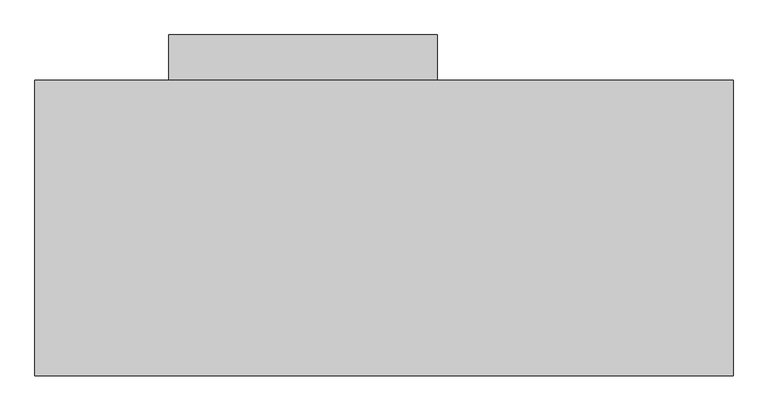
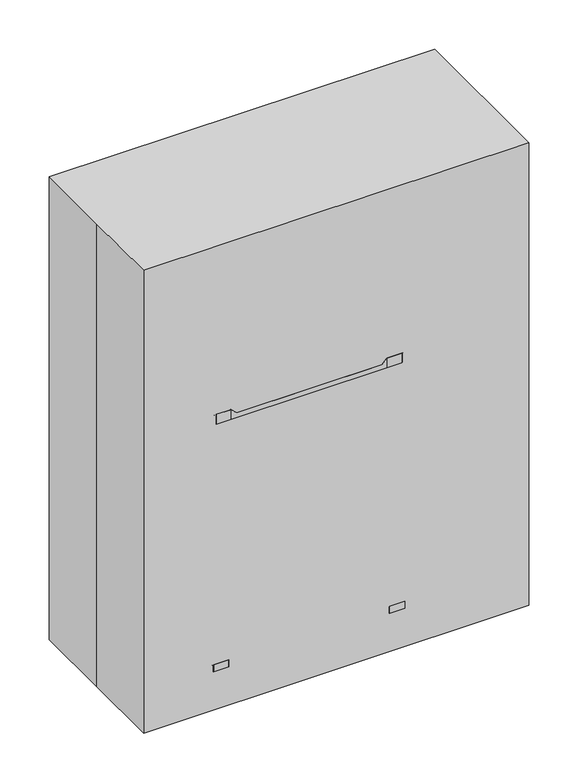
"""IFC4 building model written with IfcOpenShell, lengths in millimetres: proxy geometry."""

from ifc_helpers import new_model, si_unit, point, frame, frame_2d, origin, origin_with_axes, place, context, project, spatial, polyline, circle_curve, trimmed, segment, composite_curve, outline, extrude, faceted_brep, source, transform, mapped, element, save
from ifc_brep_helpers import plane_surface, cylinder_surface, revolved_surface, spline_surface, advanced_brep


def specialty_equipment_8fa30587(model_context):
    return source(origin(), model_context, "Body", "SolidModel", [
        advanced_brep(
        [(-617.6487952, 2.9144028, 860.7975437), (-414.4487952, 2.9144028, 860.7975437), (-604.9487952, 2.9144028, 860.7975437), (-427.1487952, 2.9144028, 860.7975437), (-617.6487952, 2.9144028, 234.3936643), (-414.4487952, 2.9144028, 234.3936643), (-604.9487952, 2.9144028, 234.3936643), (-427.1487952, 2.9144028, 234.3936643), (-617.6487952, 2.9144028, 845.5698121), (-424.9008141, -41.9699547, 845.5698121), (-424.9008141, -41.9699547, 567.7573121), (-617.6487952, 2.9144028, 567.7573121), (-609.0105353, -38.0816322, 262.9573121), (-609.0105353, -38.0816322, 548.7073121), (-422.9407954, -37.7483612, 548.7073121), (-422.9407954, -37.7483612, 262.9573121), (-424.9008141, 47.7987602, 567.7573121), (-424.9008141, 47.7987602, 845.5698121), (-609.0105353, 43.9104377, 548.7073121), (-609.0105353, 43.9104377, 262.9573121), (-422.9407954, 43.5771667, 262.9573121), (-422.9407954, 43.5771667, 548.7073121), (-604.9487952, 2.9144028, 845.5698121), (-427.1487952, 2.9144028, 845.5698121), (-427.1487952, 2.9144028, 262.9573121), (-604.9487952, 2.9144028, 262.9573121), (-427.1487952, 2.9144028, 567.7573121), (-604.9487952, 2.9144028, 567.7573121), (-604.9487952, 2.9144028, 548.7073121), (-427.1487952, 2.9144028, 548.7073121)],
        [
            (0, 1, circle_curve(frame((-516.0487952, 2.9144028, 860.7975437), z_axis=(0.0, 0.0, 1.0), x_axis=(1.0, 1.2023715356688048e-12, 0.0)), 101.6)),
            (1, 0, circle_curve(frame((-516.0487952, 2.9144028, 860.7975437), z_axis=(0.0, 0.0, 1.0), x_axis=(1.0, 1.2023715356688048e-12, 0.0)), 101.6)),
            (2, 3, circle_curve(frame((-516.0487952, 2.9144028, 860.7975437), z_axis=(0.0, 0.0, -1.0), x_axis=(1.0, 1.2023715356688048e-12, 0.0)), 88.9)),
            (3, 2, circle_curve(frame((-516.0487952, 2.9144028, 860.7975437), z_axis=(0.0, 0.0, -1.0), x_axis=(1.0, 1.2023715356688048e-12, 0.0)), 88.9)),
            (4, 5, circle_curve(frame((-516.0487952, 2.9144028, 234.3936643), z_axis=(0.0, 0.0, -1.0), x_axis=(1.0, 1.2023715356688048e-12, 0.0)), 101.6)),
            (5, 4, circle_curve(frame((-516.0487952, 2.9144028, 234.3936643), z_axis=(0.0, 0.0, -1.0), x_axis=(1.0, 1.2023715356688048e-12, 0.0)), 101.6)),
            (6, 7, circle_curve(frame((-516.0487952, 2.9144028, 234.3936643), z_axis=(0.0, 0.0, 1.0), x_axis=(1.0, 1.2023715356688048e-12, 0.0)), 88.9)),
            (7, 6, circle_curve(frame((-516.0487952, 2.9144028, 234.3936643), z_axis=(0.0, 0.0, 1.0), x_axis=(1.0, 1.2023715356688048e-12, 0.0)), 88.9)),
            (0, 8),
            (8, 9, circle_curve(frame((-516.0487952, 2.9144028, 845.5698121), z_axis=(0.0, 0.0, 1.0), x_axis=(1.0, 1.2023715356688048e-12, 0.0)), 101.6)),
            (9, 10),
            (10, 11, circle_curve(frame((-516.0487952, 2.9144028, 567.7573121), z_axis=(0.0, 0.0, -1.0), x_axis=(1.0, 1.2023715356688048e-12, 0.0)), 101.6)),
            (11, 4),
            (5, 1),
            (12, 13),
            (13, 14, circle_curve(frame((-516.0487952, 2.9144028, 548.7073121), z_axis=(0.0, 0.0, 1.0), x_axis=(1.0, 1.2023715356688048e-12, 0.0)), 101.6)),
            (14, 15),
            (15, 12, circle_curve(frame((-516.0487952, 2.9144028, 262.9573121), z_axis=(0.0, 0.0, -1.0), x_axis=(1.0, 1.2023715356688048e-12, 0.0)), 101.6)),
            (11, 16, circle_curve(frame((-516.0487952, 2.9144028, 567.7573121), z_axis=(0.0, 0.0, -1.0), x_axis=(1.0, 1.2023715356688048e-12, 0.0)), 101.6)),
            (16, 17),
            (17, 8, circle_curve(frame((-516.0487952, 2.9144028, 845.5698121), z_axis=(0.0, 0.0, 1.0), x_axis=(1.0, 1.2023715356688048e-12, 0.0)), 101.6)),
            (18, 19),
            (19, 20, circle_curve(frame((-516.0487952, 2.9144028, 262.9573121), z_axis=(0.0, 0.0, -1.0), x_axis=(1.0, 1.2023715356688048e-12, 0.0)), 101.6)),
            (20, 21),
            (21, 18, circle_curve(frame((-516.0487952, 2.9144028, 548.7073121), z_axis=(0.0, 0.0, 1.0), x_axis=(1.0, 1.2023715356688048e-12, 0.0)), 101.6)),
            (2, 22),
            (22, 23, circle_curve(frame((-516.0487952, 2.9144028, 845.5698121), z_axis=(0.0, 0.0, -1.0), x_axis=(1.0, 1.2023715356688048e-12, 0.0)), 88.9)),
            (23, 3),
            (7, 24),
            (24, 25, circle_curve(frame((-516.0487952, 2.9144028, 262.9573121), z_axis=(0.0, 0.0, 1.0), x_axis=(1.0, 1.2023715356688048e-12, 0.0)), 88.9)),
            (25, 6),
            (26, 27, circle_curve(frame((-516.0487952, 2.9144028, 567.7573121), z_axis=(0.0, 0.0, 1.0), x_axis=(1.0, 1.2023715356688048e-12, 0.0)), 88.9)),
            (27, 28),
            (28, 29, circle_curve(frame((-516.0487952, 2.9144028, 548.7073121), z_axis=(0.0, 0.0, -1.0), x_axis=(1.0, 1.2023715356688048e-12, 0.0)), 88.9)),
            (29, 26),
            (23, 22, circle_curve(frame((-516.0487952, 2.9144028, 845.5698121), z_axis=(0.0, 0.0, -1.0), x_axis=(1.0, 1.2023715356688048e-12, 0.0)), 88.9)),
            (25, 24, circle_curve(frame((-516.0487952, 2.9144028, 262.9573121), z_axis=(0.0, 0.0, 1.0), x_axis=(1.0, 1.2023715356688048e-12, 0.0)), 88.9)),
            (27, 26, circle_curve(frame((-516.0487952, 2.9144028, 567.7573121), z_axis=(0.0, 0.0, 1.0), x_axis=(1.0, 1.2023715356688048e-12, 0.0)), 88.9)),
            (29, 28, circle_curve(frame((-516.0487952, 2.9144028, 548.7073121), z_axis=(0.0, 0.0, -1.0), x_axis=(1.0, 1.2023715356688048e-12, 0.0)), 88.9)),
            (10, 16),
            (9, 17),
            (18, 13),
            (12, 19),
            (15, 20),
            (14, 21),
        ],
        [
            plane_surface(frame((-414.4487952, 2.9144028, 860.7975437), z_axis=(0.0, 0.0, 1.0), x_axis=(-1.2023715356688048e-12, 1.0, 0.0))),
            plane_surface(frame((-414.4487952, 2.9144028, 234.3936643), z_axis=(0.0, 0.0, -1.0), x_axis=(1.2023715356688048e-12, -1.0, 0.0))),
            cylinder_surface(frame((-516.0487952, 2.9144028, 234.3936643), z_axis=(0.0, 0.0, 1.0), x_axis=(1.0, 1.2023715356688048e-12, 0.0)), 101.6),
            revolved_surface(polyline([(-427.1487952, 2.914402800106891, 845.5698121), (-427.1487952, 2.914402800106891, 860.7975437)]), (-516.0487952, 2.9144028, 163.5125), (0.0, 0.0, -1.0)),
            revolved_surface(polyline([(-427.1487952, 2.914402800106891, 234.3936643), (-427.1487952, 2.914402800106891, 262.9573121)]), (-516.0487952, 2.9144028, 163.5125), (0.0, 0.0, -1.0)),
            revolved_surface(polyline([(-427.1487952, 2.914402800106891, 548.7073121), (-427.1487952, 2.914402800106891, 567.7573121)]), (-516.0487952, 2.9144028, 163.5125), (0.0, 0.0, -1.0)),
            plane_surface(frame((-628.0605353, -110.1467187, 567.7573121), z_axis=(0.0, 0.0, 1.0), x_axis=(0.0, 1.0, 0.0))),
            plane_surface(frame((-424.9008141, -110.1467187, 567.7573121), z_axis=(-1.0, 0.0, 0.0), x_axis=(0.0, 1.0, 0.0))),
            plane_surface(frame((-424.9008141, -110.1467187, 845.5698121), z_axis=(0.0, 0.0, -1.0), x_axis=(0.0, 1.0, 0.0))),
            plane_surface(frame((-609.0105353, -110.1467187, 548.7073121), z_axis=(1.0, 0.0, 0.0), x_axis=(0.0, 1.0, 0.0))),
            plane_surface(frame((-609.0105353, -110.1467187, 262.9573121), z_axis=(0.0, 0.0, 1.0), x_axis=(0.0, 1.0, 0.0))),
            plane_surface(frame((-422.9407954, -110.1467187, 262.9573121), z_axis=(-1.0, 0.0, 0.0), x_axis=(0.0, 1.0, 0.0))),
            plane_surface(frame((-422.9407954, -110.1467187, 548.7073121), z_axis=(0.0, 0.0, -1.0), x_axis=(0.0, 1.0, 0.0))),
        ],
        [
            (0, [[1, 2], [3, 4]]),
            (1, [[5, 6], [7, 8]]),
            (2, [[-1, 9, 10, 11, 12, 13, -6, 14], [15, 16, 17, 18]]),
            (2, [[-2, -14, -5, -13, 19, 20, 21, -9], [22, 23, 24, 25]]),
            (3, [[-3, 26, 27, 28]]),
            (4, [[-8, 29, 30, 31]]),
            (5, [[32, 33, 34, 35]]),
            (3, [[-4, -28, 36, -26]]),
            (4, [[-7, -31, 37, -29]]),
            (5, [[38, -35, 39, -33]]),
            (6, [[40, -19, -12], [-32, -38]]),
            (7, [[-40, -11, 41, -20]]),
            (8, [[-41, -10, -21], [-27, -36]]),
            (9, [[42, -15, 43, -22]]),
            (10, [[-43, -18, 44, -23], [-30, -37]]),
            (11, [[-44, -17, 45, -24]]),
            (12, [[-42, -25, -45, -16], [-34, -39]]),
        ],
    ),
        faceted_brep([(224.7592046, -250.6571972, 163.5125), (224.7592046, -250.6571972, 1031.748), (173.9592046, -250.6571972, 1031.748), (-359.4407954, -250.6571972, 1031.748), (-410.2407954, -250.6571972, 1031.748), (-410.2407954, -250.6571972, 163.5125), (-359.4407954, -250.6571972, 221.742), (-359.4407954, -250.6571972, 996.442), (173.9592046, -250.6571972, 996.442), (173.9592046, -250.6571972, 221.742), (224.7592046, 250.9928028, 163.5125), (-410.2407954, 250.9928028, 163.5125), (-410.2407954, 250.9928028, 1031.748), (-359.4407954, 250.9928028, 1031.748), (173.9592046, 250.9928028, 1031.748), (224.7592046, 250.9928028, 1031.748), (-359.4407954, 238.7231785, 996.442), (-359.4407954, 238.7231785, 221.742), (173.9592046, 238.7231785, 221.742), (173.9592046, 238.7231785, 996.442)], [[[0, 1, 2, 3, 4, 5], [6, 7, 8, 9]], [[10, 11, 12, 13, 14, 15]], [[1, 0, 10, 15]], [[2, 1, 15, 14]], [[3, 2, 14, 13]], [[4, 3, 13, 12]], [[5, 4, 12, 11]], [[0, 5, 11, 10]], [[16, 17, 18, 19]], [[17, 16, 7, 6]], [[18, 17, 6, 9]], [[19, 18, 9, 8]], [[16, 19, 8, 7]]]),
        extrude(outline(polyline([(154.9092046, 154.1553028), (154.9092046, -204.6196972), (-340.3907954, -204.6196972), (-340.3907954, 154.1553028), (154.9092046, 154.1553028)])), frame((0.0, 0.0, 912.2918), z_axis=(0.0, 0.0, 1.0), x_axis=(1.0, 0.0, 0.0)), (0.0, 0.0, 1.0), 76.4986177),
        extrude(outline(polyline([(154.9092046, 154.1553028), (154.9092046, -204.6196972), (-340.3907954, -204.6196972), (-340.3907954, 154.1553028), (154.9092046, 154.1553028)])), frame((0.0, 0.0, 835.7931823), z_axis=(0.0, 0.0, 1.0), x_axis=(1.0, 0.0, 0.0)), (0.0, 0.0, 1.0), 76.4986177),
        extrude(outline(polyline([(154.9092046, 154.1553028), (154.9092046, -204.6196972), (-340.3907954, -204.6196972), (-340.3907954, 154.1553028), (154.9092046, 154.1553028)])), frame((0.0, 0.0, 759.4438734), z_axis=(0.0, 0.0, 1.0), x_axis=(1.0, 0.0, 0.0)), (0.0, 0.0, 1.0), 76.4986177),
        extrude(outline(polyline([(154.9092046, 154.1553028), (154.9092046, -204.6196972), (-340.3907954, -204.6196972), (-340.3907954, 154.1553028), (154.9092046, 154.1553028)])), frame((0.0, 0.0, 683.0945645), z_axis=(0.0, 0.0, 1.0), x_axis=(1.0, 0.0, 0.0)), (0.0, 0.0, 1.0), 76.4986177),
        extrude(outline(polyline([(154.9092046, 154.1553028), (154.9092046, -204.6196972), (-340.3907954, -204.6196972), (-340.3907954, 154.1553028), (154.9092046, 154.1553028)])), frame((0.0, 0.0, 530.3959468), z_axis=(0.0, 0.0, 1.0), x_axis=(1.0, 0.0, 0.0)), (0.0, 0.0, 1.0), 152.6986177),
        extrude(outline(polyline([(154.9092046, 154.1553028), (154.9092046, -204.6196972), (-340.3907954, -204.6196972), (-340.3907954, 154.1553028), (154.9092046, 154.1553028)])), frame((0.0, 0.0, 377.6973291), z_axis=(0.0, 0.0, 1.0), x_axis=(1.0, 0.0, 0.0)), (0.0, 0.0, 1.0), 152.6986177),
        extrude(outline(polyline([(154.9092046, 154.1553028), (154.9092046, -204.6196972), (-340.3907954, -204.6196972), (-340.3907954, 154.1553028), (154.9092046, 154.1553028)])), frame((0.0, 0.0, 225.2973291), z_axis=(0.0, 0.0, 1.0), x_axis=(1.0, 0.0, 0.0)), (0.0, 0.0, 1.0), 152.4),
        extrude(outline(composite_curve([segment(polyline([(1576.3284075, 82.0502646), (1573.7217185, 79.4435756)]), True, "CONTINUOUS"), segment(trimmed(circle_curve(frame_2d((1564.938779, 70.6606361)), 12.4209521), [point((1573.7217185, 79.4435756))], [point((1577.3597311, 70.6606361))], True, "CARTESIAN"), True, "CONTINUOUS"), segment(polyline([(1577.3597311, 70.6606361), (1577.3597311, 297.5600485)]), True, "CONTINUOUS"), segment(trimmed(circle_curve(frame_2d((1564.938779, 297.5600485)), 12.4209521), [point((1577.3597311, 297.5600485))], [point((1573.7217185, 288.777109))], True, "CARTESIAN"), True, "CONTINUOUS"), segment(polyline([(1573.7217185, 288.777109), (1576.3284075, 286.17042)]), True, "CONTINUOUS"), segment(trimmed(circle_curve(frame_2d((1564.938779, 297.5600485)), 16.1073671), [point((1576.3284075, 286.17042))], [point((1581.0461461, 297.5600485))], False, "CARTESIAN"), True, "CONTINUOUS"), segment(polyline([(1581.0461461, 297.5600485), (1581.0461461, 70.6606361)]), True, "CONTINUOUS"), segment(trimmed(circle_curve(frame_2d((1564.938779, 70.6606361)), 16.1073671), [point((1581.0461461, 70.6606361))], [point((1576.3284075, 82.0502646))], False, "CARTESIAN"), True, "CONTINUOUS")], self_intersect=False)), frame((0.0, 172.0713619, 0.0), z_axis=(0.0, 1.0, 0.0), x_axis=(0.0, 0.0, 1.0)), (0.0, 0.0, 1.0), 3.1474566),
        extrude(outline(composite_curve([segment(trimmed(circle_curve(frame_2d((183.4842046, 174.7928028)), 12.7), [point((183.4842046, 187.4928028))], [point((183.4842046, 162.0928028))], False, "CARTESIAN"), True, "CONTINUOUS"), segment(trimmed(circle_curve(frame_2d((183.4842046, 174.7928028)), 12.7), [point((183.4842046, 162.0928028))], [point((183.4842046, 187.4928028))], False, "CARTESIAN"), True, "CONTINUOUS")], self_intersect=False)), frame((0.0, 0.0, 1031.748), z_axis=(0.0, 0.0, 1.0), x_axis=(1.0, 0.0, 0.0)), (0.0, 0.0, 1.0), 558.8),
        extrude(outline(polyline([(46.9592046, 333.5428028), (46.9592046, 263.6928028), (161.2592046, 263.6928028), (161.2592046, 250.9928028), (-346.7407954, 250.9928028), (-346.7407954, 263.6928028), (-232.4407954, 263.6928028), (-232.4407954, 333.5428028), (46.9592046, 333.5428028)])), frame((0.0, 0.0, 759.5931823), z_axis=(0.0, 0.0, 1.0), x_axis=(1.0, 0.0, 0.0)), (0.0, 0.0, 1.0), 51.55692),
        extrude(outline(composite_curve([segment(polyline([(-368.9657954, -279.2321972), (-419.7657954, -279.2321972)]), True, "CONTINUOUS"), segment(trimmed(circle_curve(frame_2d((-419.7657954, -253.8321972)), 25.4), [point((-419.7657954, -279.2321972))], [point((-445.1657954, -253.8321972))], False, "CARTESIAN"), True, "CONTINUOUS"), segment(polyline([(-445.1657954, -253.8321972), (-445.1657954, -203.0321972)]), True, "CONTINUOUS"), segment(trimmed(circle_curve(frame_2d((-419.7657954, -203.0321972)), 25.4), [point((-445.1657954, -203.0321972))], [point((-419.7657954, -177.6321972))], False, "CARTESIAN"), True, "CONTINUOUS"), segment(polyline([(-419.7657954, -177.6321972), (-368.9657954, -177.6321972)]), True, "CONTINUOUS"), segment(trimmed(circle_curve(frame_2d((-368.9657954, -203.0321972)), 25.4), [point((-368.9657954, -177.6321972))], [point((-343.5657954, -203.0321972))], False, "CARTESIAN"), True, "CONTINUOUS"), segment(polyline([(-343.5657954, -203.0321972), (-343.5657954, -253.8321972)]), True, "CONTINUOUS"), segment(trimmed(circle_curve(frame_2d((-368.9657954, -253.8321972)), 25.4), [point((-343.5657954, -253.8321972))], [point((-368.9657954, -279.2321972))], False, "CARTESIAN"), True, "CONTINUOUS")], self_intersect=False)), frame((0.0, 0.0, 138.1125), z_axis=(0.0, 0.0, 1.0), x_axis=(1.0, 0.0, 0.0)), (0.0, 0.0, 1.0), 25.4),
        extrude(outline(composite_curve([segment(trimmed(circle_curve(frame_2d((183.4842046, -253.8321972)), 25.4), [point((183.4842046, -279.2321972))], [point((158.0842046, -253.8321972))], False, "CARTESIAN"), True, "CONTINUOUS"), segment(polyline([(158.0842046, -253.8321972), (158.0842046, -203.0321972)]), True, "CONTINUOUS"), segment(trimmed(circle_curve(frame_2d((183.4842046, -203.0321972)), 25.4), [point((158.0842046, -203.0321972))], [point((183.4842046, -177.6321972))], False, "CARTESIAN"), True, "CONTINUOUS"), segment(polyline([(183.4842046, -177.6321972), (234.2842046, -177.6321972)]), True, "CONTINUOUS"), segment(trimmed(circle_curve(frame_2d((234.2842046, -203.0321972)), 25.4), [point((234.2842046, -177.6321972))], [point((259.6842046, -203.0321972))], False, "CARTESIAN"), True, "CONTINUOUS"), segment(polyline([(259.6842046, -203.0321972), (259.6842046, -253.8321972)]), True, "CONTINUOUS"), segment(trimmed(circle_curve(frame_2d((234.2842046, -253.8321972)), 25.4), [point((259.6842046, -253.8321972))], [point((234.2842046, -279.2321972))], False, "CARTESIAN"), True, "CONTINUOUS"), segment(polyline([(234.2842046, -279.2321972), (183.4842046, -279.2321972)]), True, "CONTINUOUS")], self_intersect=False)), frame((0.0, 0.0, 138.1125), z_axis=(0.0, 0.0, 1.0), x_axis=(1.0, 0.0, 0.0)), (0.0, 0.0, 1.0), 25.4),
        extrude(outline(composite_curve([segment(trimmed(circle_curve(frame_2d((-419.7657954, 254.1678028)), 25.4), [point((-445.1657954, 254.1678028))], [point((-419.7657954, 279.5678028))], False, "CARTESIAN"), True, "CONTINUOUS"), segment(polyline([(-419.7657954, 279.5678028), (-368.9657954, 279.5678028)]), True, "CONTINUOUS"), segment(trimmed(circle_curve(frame_2d((-368.9657954, 254.1678028)), 25.4), [point((-368.9657954, 279.5678028))], [point((-343.5657954, 254.1678028))], False, "CARTESIAN"), True, "CONTINUOUS"), segment(polyline([(-343.5657954, 254.1678028), (-343.5657954, 203.3678028)]), True, "CONTINUOUS"), segment(trimmed(circle_curve(frame_2d((-368.9657954, 203.3678028)), 25.4), [point((-343.5657954, 203.3678028))], [point((-368.9657954, 177.9678028))], False, "CARTESIAN"), True, "CONTINUOUS"), segment(polyline([(-368.9657954, 177.9678028), (-419.7657954, 177.9678028)]), True, "CONTINUOUS"), segment(trimmed(circle_curve(frame_2d((-419.7657954, 203.3678028)), 25.4), [point((-419.7657954, 177.9678028))], [point((-445.1657954, 203.3678028))], False, "CARTESIAN"), True, "CONTINUOUS"), segment(polyline([(-445.1657954, 203.3678028), (-445.1657954, 254.1678028)]), True, "CONTINUOUS")], self_intersect=False)), frame((0.0, 0.0, 138.1125), z_axis=(0.0, 0.0, 1.0), x_axis=(1.0, 0.0, 0.0)), (0.0, 0.0, 1.0), 25.4),
        extrude(outline(composite_curve([segment(trimmed(circle_curve(frame_2d((183.4842046, 254.1678028)), 25.4), [point((158.0842046, 254.1678028))], [point((183.4842046, 279.5678028))], False, "CARTESIAN"), True, "CONTINUOUS"), segment(polyline([(183.4842046, 279.5678028), (234.2842046, 279.5678028)]), True, "CONTINUOUS"), segment(trimmed(circle_curve(frame_2d((234.2842046, 254.1678028)), 25.4), [point((234.2842046, 279.5678028))], [point((259.6842046, 254.1678028))], False, "CARTESIAN"), True, "CONTINUOUS"), segment(polyline([(259.6842046, 254.1678028), (259.6842046, 203.3678028)]), True, "CONTINUOUS"), segment(trimmed(circle_curve(frame_2d((234.2842046, 203.3678028)), 25.4), [point((259.6842046, 203.3678028))], [point((234.2842046, 177.9678028))], False, "CARTESIAN"), True, "CONTINUOUS"), segment(polyline([(234.2842046, 177.9678028), (183.4842046, 177.9678028)]), True, "CONTINUOUS"), segment(trimmed(circle_curve(frame_2d((183.4842046, 203.3678028)), 25.4), [point((183.4842046, 177.9678028))], [point((158.0842046, 203.3678028))], False, "CARTESIAN"), True, "CONTINUOUS"), segment(polyline([(158.0842046, 203.3678028), (158.0842046, 254.1678028)]), True, "CONTINUOUS")], self_intersect=False)), frame((0.0, 0.0, 138.1125), z_axis=(0.0, 0.0, 1.0), x_axis=(1.0, 0.0, 0.0)), (0.0, 0.0, 1.0), 25.4),
        extrude(outline(composite_curve([segment(trimmed(circle_curve(frame_2d((60.3746094, -384.791186)), 60.3746094), [point((60.3746094, -324.4165766))], [point((60.3746094, -445.1657954))], False, "CARTESIAN"), True, "CONTINUOUS"), segment(trimmed(circle_curve(frame_2d((60.3746094, -384.791186)), 60.3746094), [point((60.3746094, -445.1657954))], [point((60.3746094, -324.4165766))], False, "CARTESIAN"), True, "CONTINUOUS")], self_intersect=False)), frame((0.0, 219.2428028, 0.0), z_axis=(0.0, 1.0, 0.0), x_axis=(0.0, 0.0, 1.0)), (0.0, 0.0, 1.0), 19.05),
        extrude(outline(composite_curve([segment(trimmed(circle_curve(frame_2d((60.3746094, 199.3095952)), 60.3746094), [point((60.3746094, 259.6842046))], [point((60.3746094, 138.9349859))], False, "CARTESIAN"), True, "CONTINUOUS"), segment(trimmed(circle_curve(frame_2d((60.3746094, 199.3095952)), 60.3746094), [point((60.3746094, 138.9349859))], [point((60.3746094, 259.6842046))], False, "CARTESIAN"), True, "CONTINUOUS")], self_intersect=False)), frame((0.0, 219.2428028, 0.0), z_axis=(0.0, 1.0, 0.0), x_axis=(0.0, 0.0, 1.0)), (0.0, 0.0, 1.0), 19.05),
        extrude(outline(polyline([(60.3746094, -391.141186), (60.3746094, -378.441186), (138.1125, -332.4532954), (138.1125, -445.1657954), (60.3746094, -391.141186)])), frame((0.0, 216.0678028, 0.0), z_axis=(0.0, 1.0, 0.0), x_axis=(0.0, 0.0, 1.0)), (0.0, 0.0, 1.0), 25.4),
        extrude(outline(polyline([(60.3746094, 192.9595952), (60.3746094, 205.6595952), (138.1125, 259.6842046), (138.1125, 146.9717046), (60.3746094, 192.9595952)])), frame((0.0, 216.0678028, 0.0), z_axis=(0.0, 1.0, 0.0), x_axis=(0.0, 0.0, 1.0)), (0.0, 0.0, 1.0), 25.4),
        extrude(outline(composite_curve([segment(trimmed(circle_curve(frame_2d((60.3746094, -384.791186)), 60.3746094), [point((60.3746094, -324.4165766))], [point((60.3746094, -445.1657954))], False, "CARTESIAN"), True, "CONTINUOUS"), segment(trimmed(circle_curve(frame_2d((60.3746094, -384.791186)), 60.3746094), [point((60.3746094, -445.1657954))], [point((60.3746094, -324.4165766))], False, "CARTESIAN"), True, "CONTINUOUS")], self_intersect=False)), frame((0.0, -237.9571972, 0.0), z_axis=(0.0, 1.0, 0.0), x_axis=(0.0, 0.0, 1.0)), (0.0, 0.0, 1.0), 19.05),
        extrude(outline(composite_curve([segment(trimmed(circle_curve(frame_2d((60.3746094, 199.3095952)), 60.3746094), [point((60.3746094, 259.6842046))], [point((60.3746094, 138.9349859))], False, "CARTESIAN"), True, "CONTINUOUS"), segment(trimmed(circle_curve(frame_2d((60.3746094, 199.3095952)), 60.3746094), [point((60.3746094, 138.9349859))], [point((60.3746094, 259.6842046))], False, "CARTESIAN"), True, "CONTINUOUS")], self_intersect=False)), frame((0.0, -237.9571972, 0.0), z_axis=(0.0, 1.0, 0.0), x_axis=(0.0, 0.0, 1.0)), (0.0, 0.0, 1.0), 19.05),
        extrude(outline(polyline([(60.3746094, -391.141186), (60.3746094, -378.441186), (138.1125, -332.4532954), (138.1125, -445.1657954), (60.3746094, -391.141186)])), frame((0.0, -241.1321972, 0.0), z_axis=(0.0, 1.0, 0.0), x_axis=(0.0, 0.0, 1.0)), (0.0, 0.0, 1.0), 25.4),
        extrude(outline(polyline([(60.3746094, 192.9595952), (60.3746094, 205.6595952), (138.1125, 259.6842046), (138.1125, 146.9717046), (60.3746094, 192.9595952)])), frame((0.0, -241.1321972, 0.0), z_axis=(0.0, 1.0, 0.0), x_axis=(0.0, 0.0, 1.0)), (0.0, 0.0, 1.0), 25.4),
        advanced_brep(
        [(434.3092046, -120.4821972, 590.55), (434.3092046, 120.8178028, 590.55), (408.9092046, 146.2178028, 590.55), (250.1592046, 146.2178028, 590.55), (224.7592046, 120.8178028, 590.55), (224.7592046, -120.4821972, 590.55), (250.1592046, -145.8821972, 590.55), (408.9092046, -145.8821972, 590.55), (408.9092046, -114.1321972, 273.05), (402.5592046, -120.4821972, 273.05), (256.5092046, -120.4821972, 273.05), (250.1592046, -114.1321972, 273.05), (250.1592046, 114.4678028, 273.05), (256.5092046, 120.8178028, 273.05), (402.5592046, 120.8178028, 273.05), (408.9092046, 114.4678028, 273.05)],
        [
            (0, 1),
            (1, 2, circle_curve(frame((408.9092046, 120.8178028, 590.55), z_axis=(0.0, 0.0, 1.0), x_axis=(0.0, -1.0, 0.0)), 25.4)),
            (2, 3),
            (3, 4, circle_curve(frame((250.1592046, 120.8178028, 590.55), z_axis=(0.0, 0.0, 1.0), x_axis=(0.0, -1.0, 0.0)), 25.4)),
            (4, 5),
            (5, 6, circle_curve(frame((250.1592046, -120.4821972, 590.55), z_axis=(0.0, 0.0, 1.0), x_axis=(0.0, -1.0, 0.0)), 25.4)),
            (6, 7),
            (7, 0, circle_curve(frame((408.9092046, -120.4821972, 590.55), z_axis=(0.0, 0.0, 1.0), x_axis=(0.0, -1.0, 0.0)), 25.4)),
            (8, 9, circle_curve(frame((402.5592046, -114.1321972, 273.05), z_axis=(0.0, 0.0, -1.0), x_axis=(0.0, -1.0, 0.0)), 6.35)),
            (9, 10),
            (10, 11, circle_curve(frame((256.5092046, -114.1321972, 273.05), z_axis=(0.0, 0.0, -1.0), x_axis=(0.0, -1.0, 0.0)), 6.35)),
            (11, 12),
            (12, 13, circle_curve(frame((256.5092046, 114.4678028, 273.05), z_axis=(0.0, 0.0, -1.0), x_axis=(0.0, -1.0, 0.0)), 6.35)),
            (13, 14),
            (14, 15, circle_curve(frame((402.5592046, 114.4678028, 273.05), z_axis=(0.0, 0.0, -1.0), x_axis=(0.0, -1.0, 0.0)), 6.35)),
            (15, 8),
            (15, 1),
            (0, 8),
            (14, 2),
            (13, 3),
            (12, 4),
            (11, 5),
            (10, 6),
            (9, 7),
        ],
        [
            plane_surface(frame((329.5342046, 0.1678028, 590.55), z_axis=(0.0, 0.0, 1.0), x_axis=(0.0, 1.0, 0.0))),
            plane_surface(frame((329.5342046, 0.1678028, 273.05), z_axis=(0.0, 0.0, -1.0), x_axis=(0.0, 1.0, 0.0))),
            plane_surface(frame((408.9092046, 0.1678028, 273.05), z_axis=(0.9968152785361276, 0.0, -0.07974522228285794), x_axis=(0.0, 1.0, 0.0))),
            spline_surface(2, 1, [[(408.9092046, 114.4678028, 273.05), (434.3092046, 120.8178028, 590.55)], [(408.9092046, 120.81780280000002, 273.05), (434.3092046, 146.21780279999996, 590.55)], [(402.5592046, 120.8178028, 273.05), (408.9092046, 146.2178028, 590.55)]], [3, 3], [2, 2], [0.0, 1.0], [0.0, 1.0], weights=[[1.0, 1.0], [0.7071067811865477, 0.7071067811865477], [1.0, 1.0]]),
            plane_surface(frame((329.5342046, 120.8178028, 273.05), z_axis=(0.0, 0.9968152785361256, -0.07974522228288214), x_axis=(-1.0, 0.0, 0.0))),
            spline_surface(2, 1, [[(256.5092046, 120.8178028, 273.05), (250.1592046, 146.2178028, 590.55)], [(250.15920459999998, 120.8178028, 273.05), (224.75920460000003, 146.21780279999996, 590.55)], [(250.1592046, 114.4678028, 273.05), (224.7592046, 120.8178028, 590.55)]], [3, 3], [2, 2], [0.0, 1.0], [0.0, 1.0], weights=[[1.0, 1.0], [0.7071067811865478, 0.7071067811865478], [1.0, 1.0]]),
            plane_surface(frame((250.1592046, 0.1678028, 273.05), z_axis=(-0.9968152785361235, 0.0, -0.07974522228290898), x_axis=(0.0, -1.0, 0.0))),
            spline_surface(2, 1, [[(250.1592046, -114.1321972, 273.05), (224.7592046, -120.4821972, 590.55)], [(250.1592046, -120.48219719999996, 273.05), (224.7592046, -145.8821972, 590.55)], [(256.5092046, -120.4821972, 273.05), (250.1592046, -145.8821972, 590.55)]], [3, 3], [2, 2], [0.0, 1.0], [0.0, 1.0], weights=[[1.0, 1.0], [0.7071067811865476, 0.7071067811865476], [1.0, 1.0]]),
            plane_surface(frame((329.5342046, -120.4821972, 273.05), z_axis=(0.0, -0.9968152785361258, -0.0797452222828805), x_axis=(1.0, 0.0, 0.0))),
            spline_surface(2, 1, [[(402.5592046, -120.4821972, 273.05), (408.9092046, -145.8821972, 590.55)], [(408.9092046, -120.48219720000002, 273.05), (434.30920460000004, -145.88219720000004, 590.55)], [(408.9092046, -114.1321972, 273.05), (434.3092046, -120.4821972, 590.55)]], [3, 3], [2, 2], [0.0, 1.0], [0.0, 1.0], weights=[[1.0, 1.0], [0.7071067811865471, 0.7071067811865471], [1.0, 1.0]]),
        ],
        [
            (0, [[1, 2, 3, 4, 5, 6, 7, 8]]),
            (1, [[9, 10, 11, 12, 13, 14, 15, 16]]),
            (2, [[-16, 17, -1, 18]]),
            (3, [[-15, 19, -2, -17]]),
            (4, [[-14, 20, -3, -19]]),
            (5, [[-13, 21, -4, -20]]),
            (6, [[-12, 22, -5, -21]]),
            (7, [[-11, 23, -6, -22]]),
            (8, [[-10, 24, -7, -23]]),
            (9, [[-9, -18, -8, -24]]),
        ],
    ),
        extrude(outline(polyline([(1031.748, -359.4407954), (1031.748, 173.9592046), (1066.8, 173.9592046), (1048.8394878, 155.9986924), (1048.8394878, -341.4802831), (1066.8, -359.4407954), (1031.748, -359.4407954)])), frame((0.0, -279.2321972, 0.0), z_axis=(0.0, 1.0, 0.0), x_axis=(0.0, 0.0, 1.0)), (0.0, 0.0, 1.0), 28.575),
        extrude(outline(composite_curve([segment(polyline([(-359.4407954, -279.2321972), (-410.2407954, -279.2321972)]), True, "CONTINUOUS"), segment(trimmed(circle_curve(frame_2d((-410.2407954, -244.3071972)), 34.925), [point((-410.2407954, -279.2321972))], [point((-445.1657954, -244.3071972))], False, "CARTESIAN"), True, "CONTINUOUS"), segment(polyline([(-445.1657954, -244.3071972), (-445.1657954, 244.6428028)]), True, "CONTINUOUS"), segment(trimmed(circle_curve(frame_2d((-410.2407954, 244.6428028)), 34.925), [point((-445.1657954, 244.6428028))], [point((-410.2407954, 279.5678028))], False, "CARTESIAN"), True, "CONTINUOUS"), segment(polyline([(-410.2407954, 279.5678028), (224.7592046, 279.5678028)]), True, "CONTINUOUS"), segment(trimmed(circle_curve(frame_2d((224.7592046, 244.6428028)), 34.925), [point((224.7592046, 279.5678028))], [point((259.6842046, 244.6428028))], False, "CARTESIAN"), True, "CONTINUOUS"), segment(polyline([(259.6842046, 244.6428028), (259.6842046, -244.3071972)]), True, "CONTINUOUS"), segment(trimmed(circle_curve(frame_2d((224.7592046, -244.3071972)), 34.925), [point((259.6842046, -244.3071972))], [point((224.7592046, -279.2321972))], False, "CARTESIAN"), True, "CONTINUOUS"), segment(polyline([(224.7592046, -279.2321972), (173.9592046, -279.2321972), (173.9592046, -250.6571972)]), True, "CONTINUOUS"), segment(trimmed(circle_curve(frame_2d((173.9592046, -199.8571972)), 50.8), [point((173.9592046, -250.6571972))], [point((224.7592046, -199.8571972))], True, "CARTESIAN"), True, "CONTINUOUS"), segment(polyline([(224.7592046, -199.8571972), (224.7592046, 200.1928028)]), True, "CONTINUOUS"), segment(trimmed(circle_curve(frame_2d((173.9592046, 200.1928028)), 50.8), [point((224.7592046, 200.1928028))], [point((173.9592046, 250.9928028))], True, "CARTESIAN"), True, "CONTINUOUS"), segment(polyline([(173.9592046, 250.9928028), (-359.4407954, 250.9928028)]), True, "CONTINUOUS"), segment(trimmed(circle_curve(frame_2d((-359.4407954, 200.1928028)), 50.8), [point((-359.4407954, 250.9928028))], [point((-410.2407954, 200.1928028))], True, "CARTESIAN"), True, "CONTINUOUS"), segment(polyline([(-410.2407954, 200.1928028), (-410.2407954, -199.8571972)]), True, "CONTINUOUS"), segment(trimmed(circle_curve(frame_2d((-359.4407954, -199.8571972)), 50.8), [point((-410.2407954, -199.8571972))], [point((-359.4407954, -250.6571972))], True, "CARTESIAN"), True, "CONTINUOUS"), segment(polyline([(-359.4407954, -250.6571972), (-359.4407954, -279.2321972)]), True, "CONTINUOUS")], self_intersect=False)), frame((0.0, 0.0, 1031.748), z_axis=(0.0, 0.0, 1.0), x_axis=(1.0, 0.0, 0.0)), (0.0, 0.0, 1.0), 35.052),
        extrude(outline(polyline([(183.4842046, 203.3678028), (640.6842046, 203.3678028), (640.6842046, -203.0321972), (183.4842046, -203.0321972), (183.4842046, 203.3678028)])), frame((0.0, 0.0, 977.392), z_axis=(0.0, 0.0, 1.0), x_axis=(1.0, 0.0, 0.0)), (0.0, 0.0, 1.0), 19.05),
        extrude(outline(composite_curve([segment(trimmed(circle_curve(frame_2d((-368.9657954, 174.7928028)), 25.4), [point((-368.9657954, 149.3928028))], [point((-368.9657954, 200.1928028))], False, "CARTESIAN"), True, "CONTINUOUS"), segment(trimmed(circle_curve(frame_2d((-368.9657954, 174.7928028)), 25.4), [point((-368.9657954, 200.1928028))], [point((-368.9657954, 149.3928028))], False, "CARTESIAN"), True, "CONTINUOUS")], self_intersect=False)), frame((0.0, 0.0, 1031.748), z_axis=(0.0, 0.0, 1.0), x_axis=(1.0, 0.0, 0.0)), (0.0, 0.0, 1.0), 152.4),
        extrude(outline(polyline([(-407.0657954, -15.7071972), (-407.0657954, 365.2928028), (100.9342046, 365.2928028), (100.9342046, -15.7071972), (-407.0657954, -15.7071972)])), frame((0.0, 0.0, 1184.148), z_axis=(0.0, 0.0, 1.0), x_axis=(1.0, 0.0, 0.0)), (0.0, 0.0, 1.0), 19.05),
        extrude(outline(polyline([(-660.4, 279.4), (660.4, 279.4), (660.4, -279.4), (-660.4, -279.4), (-660.4, 0.0), (-660.4, 279.4)])), origin_with_axes(), (0.0, 0.0, 1.0), 1676.4),
    ])


if __name__ == "__main__":
    model = new_model("IFC4")
    model_context = context("Model", 3, world=origin())
    ifc_project = project(units=[si_unit("LENGTHUNIT", "METRE", prefix="MILLI")], contexts=[model_context])
    site = spatial("IfcSite", under=ifc_project)
    building = spatial("IfcBuilding", under=site)
    placement = place(None, origin())
    specialty_equipment_shape = specialty_equipment_8fa30587(model_context)
    element("IfcBuildingElementProxy", 1, Name="Specialty Equipment", at=placement, inside=building, context=model_context, shape_type="MappedRepresentation", body=[
        mapped(specialty_equipment_shape, transform((0.0, 0.0, 0.0), x_axis=(1.0, 0.0, 0.0), y_axis=(0.0, 1.0, 0.0), z_axis=(0.0, 0.0, 1.0))),
    ])
    save(model, "model.ifc")
